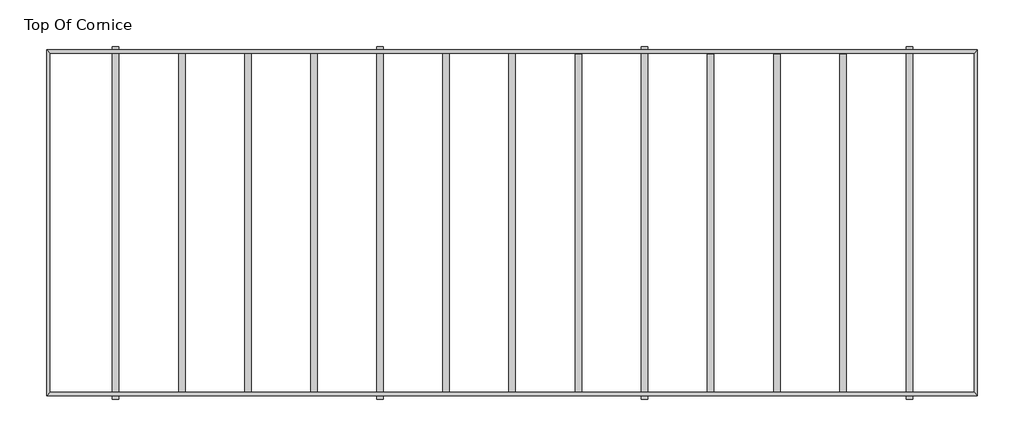
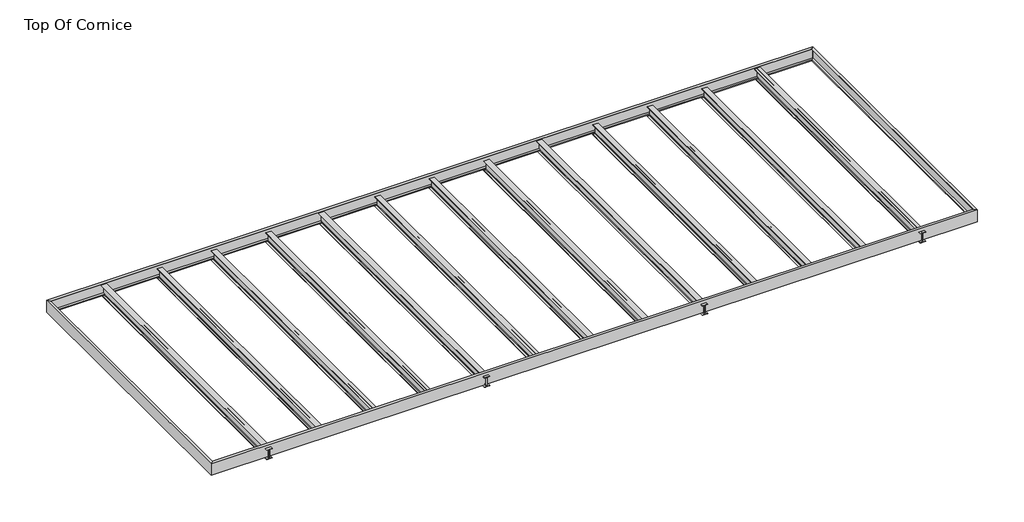
# One storey: 17 beams.
"""IFC4 building model written with IfcOpenShell, lengths in millimetres."""

import ifcopenshell
import ifcopenshell.guid

model = None  # the IFC model being written
_history = None  # IfcOwnerHistory: only IFC2X3 demands one
_inside = {}  # id of a spatial element -> (the spatial element, [elements in it])
_under = {}  # id of a project, library or spatial element -> (it, [spatial elements below it])
_declared = {}  # id of a project -> (the project, [libraries it declares])
_typed = {}  # id of a type object -> (the type object, [elements of that type])
_made_of = {}  # id of a material, layer set ... -> (it, [elements and type objects made of it])


def new_model(schema):
    """Start an empty IFC model of exactly this schema.

    Asked for "IFC4X3", IfcOpenShell would pick the latest addendum, in which some entities
    have other attributes; the version numbers below select the first issue.
    IFC2X3 requires an IfcOwnerHistory on every rooted entity: one is made here for all.
    """
    global model, _history
    if schema == "IFC4X3":
        model = ifcopenshell.file(schema_version=(4, 3, 0, 0))
    else:
        model = ifcopenshell.file(schema=schema)
    _inside.clear()
    _under.clear()
    _declared.clear()
    _typed.clear()
    _made_of.clear()
    _history = None
    if model.schema == "IFC2X3":
        org = make("IfcOrganization", Name="unknown")
        user = make(
            "IfcPersonAndOrganization",
            ThePerson=make("IfcPerson", FamilyName="unknown"),
            TheOrganization=org,
        )
        app = make(
            "IfcApplication",
            ApplicationDeveloper=org,
            Version="unknown",
            ApplicationFullName="unknown",
            ApplicationIdentifier="unknown",
        )
        _history = make(
            "IfcOwnerHistory",
            OwningUser=user,
            OwningApplication=app,
            ChangeAction="ADDED",
            CreationDate=0,
        )
    return model


def make(cls, **values):
    """One entity of the class cls with the attributes given. An attribute that is None is left unset."""
    return model.create_entity(
        cls, **{name: value for name, value in values.items() if value is not None}
    )


def rooted(cls, **values):
    """An entity with a GlobalId (a new one), such as an element, a storey or a relation."""
    return make(cls, GlobalId=ifcopenshell.guid.new(), OwnerHistory=_history, **values)


def si_unit(unit_type, name, prefix=None):
    """IfcSIUnit, for example si_unit("LENGTHUNIT", "METRE", prefix="MILLI")."""
    return make("IfcSIUnit", UnitType=unit_type, Prefix=prefix, Name=name)


def assignment(units):
    """IfcUnitAssignment: the units of a project."""
    return None if units is None else make("IfcUnitAssignment", Units=units)


def point(xyz):
    """IfcCartesianPoint."""
    return None if xyz is None else make("IfcCartesianPoint", Coordinates=xyz)


def direction(xyz):
    """IfcDirection."""
    return None if xyz is None else make("IfcDirection", DirectionRatios=xyz)


def frame(location, z_axis=None, x_axis=None):
    """IfcAxis2Placement3D, a coordinate frame: its origin and axes. An axis left out is left unset."""
    return make(
        "IfcAxis2Placement3D",
        Location=point(location),
        Axis=direction(z_axis),
        RefDirection=direction(x_axis),
    )


def frame_2d(location, x_axis=None):
    """IfcAxis2Placement2D, a coordinate frame in the plane: its origin and x axis."""
    return make(
        "IfcAxis2Placement2D", Location=point(location), RefDirection=direction(x_axis)
    )


def origin():
    """The frame at (0, 0, 0) with its axes left unset."""
    return frame((0.0, 0.0, 0.0))


def place(relative_to, where):
    """IfcLocalPlacement: puts the frame where relative to a parent placement (None: the world)."""
    return make(
        "IfcLocalPlacement", PlacementRelTo=relative_to, RelativePlacement=where
    )


def context(
    kind, dimensions, precision=None, world=None, true_north=None, identifier=None
):
    """IfcGeometricRepresentationContext, for example the 3D "Model" context."""
    return make(
        "IfcGeometricRepresentationContext",
        ContextIdentifier=identifier,
        ContextType=kind,
        CoordinateSpaceDimension=dimensions,
        Precision=precision,
        WorldCoordinateSystem=world,
        TrueNorth=true_north,
    )


def project(units=None, contexts=None):
    """IfcProject with its units and contexts."""
    return rooted(
        "IfcProject",
        Name="project",
        RepresentationContexts=contexts,
        UnitsInContext=assignment(units),
    )


def spatial(cls, under=None, at=None, **own):
    """A site, building, storey or space (cls), placed at a placement, below another one or the project."""
    s = rooted(cls, ObjectPlacement=at, **own)
    if under is not None:
        _under.setdefault(under.id(), (under, []))[1].append(s)
    return s


def polyline(points):
    """IfcPolyline through the points."""
    return make("IfcPolyline", Points=[point(p) for p in points])


def circle_curve(where, radius):
    """IfcCircle in the frame where."""
    return make("IfcCircle", Position=where, Radius=radius)


def ellipse_curve(where, semi_axis1, semi_axis2):
    """IfcEllipse in the frame where."""
    return make(
        "IfcEllipse", Position=where, SemiAxis1=semi_axis1, SemiAxis2=semi_axis2
    )


def trimmed(basis, trim1, trim2, sense, master):
    """IfcTrimmedCurve: the piece of a basis curve between two trims."""
    return make(
        "IfcTrimmedCurve",
        BasisCurve=basis,
        Trim1=trim1,
        Trim2=trim2,
        SenseAgreement=sense,
        MasterRepresentation=master,
    )


def segment(curve, same_sense, transition):
    """IfcCompositeCurveSegment."""
    return make(
        "IfcCompositeCurveSegment",
        Transition=transition,
        SameSense=same_sense,
        ParentCurve=curve,
    )


def composite_curve(segments, self_intersect=None):
    """IfcCompositeCurve: segments joined end to end."""
    return make("IfcCompositeCurve", Segments=segments, SelfIntersect=self_intersect)


def outline(outer, holes=None, kind="AREA"):
    """IfcArbitraryClosedProfileDef: a profile drawn as a closed curve; with holes, ...WithVoids."""
    if holes is None:
        return make("IfcArbitraryClosedProfileDef", ProfileType=kind, OuterCurve=outer)
    return make(
        "IfcArbitraryProfileDefWithVoids",
        ProfileType=kind,
        OuterCurve=outer,
        InnerCurves=holes,
    )


def extrude(swept, where, along, depth):
    """IfcExtrudedAreaSolid: the profile swept, set in the frame where, extruded along a direction by depth."""
    return make(
        "IfcExtrudedAreaSolid",
        SweptArea=swept,
        Position=where,
        ExtrudedDirection=direction(along),
        Depth=depth,
    )


def shape(context_of_items, identifier, shape_type, items):
    """IfcShapeRepresentation: the items that make up one representation, for example the "Body"."""
    return make(
        "IfcShapeRepresentation",
        ContextOfItems=context_of_items,
        RepresentationIdentifier=identifier,
        RepresentationType=shape_type,
        Items=items,
    )


def source(mapping_origin, context_of_items, identifier, shape_type, items):
    """IfcRepresentationMap: a shape defined once, which mapped items show again and again."""
    return make(
        "IfcRepresentationMap",
        MappingOrigin=mapping_origin,
        MappedRepresentation=shape(context_of_items, identifier, shape_type, items),
    )


def transform(
    local_origin,
    x_axis=None,
    y_axis=None,
    z_axis=None,
    scale=None,
    scale2=None,
    scale3=None,
    uniform=True,
):
    """IfcCartesianTransformationOperator3D, or its non-uniform kind. x_axis, y_axis, z_axis: its Axis1, 2, 3."""
    if uniform:
        return make(
            "IfcCartesianTransformationOperator3D",
            Axis1=direction(x_axis),
            Axis2=direction(y_axis),
            LocalOrigin=point(local_origin),
            Scale=scale,
            Axis3=direction(z_axis),
        )
    return make(
        "IfcCartesianTransformationOperator3DnonUniform",
        Axis1=direction(x_axis),
        Axis2=direction(y_axis),
        LocalOrigin=point(local_origin),
        Scale=scale,
        Axis3=direction(z_axis),
        Scale2=scale2,
        Scale3=scale3,
    )


def mapped(mapping_source, mapping_target):
    """IfcMappedItem: shows the shape of a source again, moved by a transform."""
    return make(
        "IfcMappedItem", MappingSource=mapping_source, MappingTarget=mapping_target
    )


def made_of(thing, what):
    """Note that an element or type object is made of a material, layer set ...; save() writes the relation."""
    if what is not None:
        _made_of.setdefault(what.id(), (what, []))[1].append(thing)
    return thing


def element(
    cls,
    number,
    at=None,
    inside=None,
    cuts=None,
    type_object=None,
    material=None,
    context=None,
    identifier="Body",
    shape_type=None,
    held_by="IfcProductDefinitionShape",
    body=None,
    shapes=None,
    **own,
):
    """One element of the class cls, such as IfcWall. Its Tag is "e" and its number.

    at: its placement. inside: the storey or other place that contains it. cuts: it is an
    opening in that element (IfcRelVoidsElement). A single representation is given by context,
    identifier, shape_type and body (its items); several are given by shapes. held_by: the class
    of the entity that holds the representations. save() writes the other relations.
    """
    e = rooted(cls, Tag="e%d" % number, ObjectPlacement=at, **own)
    if body is not None:
        shapes = [shape(context, identifier, shape_type, body)]
    if shapes is not None:
        e.Representation = make(held_by, Representations=shapes)
    if inside is not None:
        _inside.setdefault(inside.id(), (inside, []))[1].append(e)
    if cuts is not None:
        rooted(
            "IfcRelVoidsElement", RelatingBuildingElement=cuts, RelatedOpeningElement=e
        )
    if type_object is not None:
        _typed.setdefault(type_object.id(), (type_object, []))[1].append(e)
    return made_of(e, material)


def aggregate(whole, parts):
    """IfcRelAggregates: a whole, such as a stair, and the parts it consists of."""
    return rooted("IfcRelAggregates", RelatingObject=whole, RelatedObjects=parts)


def save(model, path):
    """Write the relations noted so far, then the file.

    IfcRelAggregates (storeys below a building ...), IfcRelContainedInSpatialStructure (elements
    in a storey), IfcRelDefinesByType, IfcRelAssociatesMaterial and IfcRelDeclares: one each for
    every whole, place, type object, material and project.
    """
    for whole, parts in _under.values():
        aggregate(whole, parts)
    for where, things in _inside.values():
        rooted(
            "IfcRelContainedInSpatialStructure",
            RelatedElements=things,
            RelatingStructure=where,
        )
    for kind, things in _typed.values():
        rooted("IfcRelDefinesByType", RelatedObjects=things, RelatingType=kind)
    for what, things in _made_of.values():
        rooted("IfcRelAssociatesMaterial", RelatedObjects=things, RelatingMaterial=what)
    for by, libraries in _declared.values():
        rooted("IfcRelDeclares", RelatingContext=by, RelatedDefinitions=libraries)
    model.write(path)


def plane_surface(at):
    """IfcPlane: the flat surface through the origin of the frame at, square to its z axis."""
    return make("IfcPlane", Position=at)


def cylinder_surface(at, radius):
    """IfcCylindricalSurface: all points at the distance radius from the z axis of the frame at."""
    return make("IfcCylindricalSurface", Position=at, Radius=radius)


def advanced_brep(points, edges, surfaces, faces):
    """IfcAdvancedBrep: a solid bounded by faces that lie on surfaces and meet in shared edges.

    An edge is (start, end): straight between two places in points (the first is 0);
    or (start, end, curve); or (start, end, curve, False) where it runs against its curve.
    A face is (place in surfaces, loops), or (place, loops, False) where it looks against
    its surface's normal. A loop lists edges by number (the first is 1), with a minus sign
    where the edge is run from its end to its start. The first loop is the outer one.
    """
    corners = [point(p) for p in points]
    vertices = [make("IfcVertexPoint", VertexGeometry=c) for c in corners]
    made = []
    for start, end, *more in edges:
        made.append(
            make(
                "IfcEdgeCurve",
                EdgeStart=vertices[start],
                EdgeEnd=vertices[end],
                EdgeGeometry=more[0] if more else make("IfcPolyline", Points=[corners[start], corners[end]]),
                SameSense=more[1] if len(more) > 1 else True,
            )
        )
    hull = []
    for where, loops, *sense in faces:
        bounds = []
        for j, loop in enumerate(loops):
            ring = [make("IfcOrientedEdge", EdgeElement=made[abs(k) - 1], Orientation=k > 0) for k in loop]
            bounds.append(
                make(
                    "IfcFaceOuterBound" if j == 0 else "IfcFaceBound",
                    Bound=make("IfcEdgeLoop", EdgeList=ring),
                    Orientation=True,
                )
            )
        hull.append(make("IfcAdvancedFace", Bounds=bounds, FaceSurface=surfaces[where], SameSense=sense[0] if sense else True))
    return make("IfcAdvancedBrep", Outer=make("IfcClosedShell", CfsFaces=hull))


def w_wide_flange_w12x26_d7689485(model_context):
    return source(origin(), model_context, "Body", "SweptSolid", [
        extrude(outline(composite_curve([segment(polyline([(82.4011719, -145.5539063), (82.4011719, -155.178125), (-82.4011719, -155.178125), (-82.4011719, -145.5539063), (-20.2902344, -145.5539063)]), True, "CONTINUOUS"), segment(trimmed(circle_curve(frame_2d((-20.2902344, -128.190625)), 17.3632812), [point((-20.2902344, -145.5539063))], [point((-2.9269531, -128.190625))], True, "CARTESIAN"), True, "CONTINUOUS"), segment(polyline([(-2.9269531, -128.190625), (-2.9269531, 128.190625)]), True, "CONTINUOUS"), segment(trimmed(circle_curve(frame_2d((-20.2902344, 128.190625)), 17.3632812), [point((-2.9269531, 128.190625))], [point((-20.2902344, 145.5539062))], True, "CARTESIAN"), True, "CONTINUOUS"), segment(polyline([(-20.2902344, 145.5539062), (-82.4011719, 145.5539062), (-82.4011719, 155.178125), (82.4011719, 155.178125), (82.4011719, 145.5539062), (20.2902344, 145.5539062)]), True, "CONTINUOUS"), segment(trimmed(circle_curve(frame_2d((20.2902344, 128.190625)), 17.3632812), [point((20.2902344, 145.5539062))], [point((2.9269531, 128.190625))], True, "CARTESIAN"), True, "CONTINUOUS"), segment(polyline([(2.9269531, 128.190625), (2.9269531, -128.190625)]), True, "CONTINUOUS"), segment(trimmed(circle_curve(frame_2d((20.2902344, -128.190625)), 17.3632812), [point((2.9269531, -128.190625))], [point((20.2902344, -145.5539063))], True, "CARTESIAN"), True, "CONTINUOUS"), segment(polyline([(20.2902344, -145.5539063), (82.4011719, -145.5539063)]), True, "CONTINUOUS")], self_intersect=False)), frame((-4289.7552, 0.0, 0.0), z_axis=(1.0, 0.0, 0.0), x_axis=(0.0, 1.0, 0.0)), (0.0, 0.0, 1.0), 8579.5104),
    ])


def w_wide_flange_w12x26_6a875226(model_context):
    return source(origin(), model_context, "Body", "SweptSolid", [
        extrude(outline(composite_curve([segment(polyline([(82.4011719, -145.5539063), (82.4011719, -155.178125), (-82.4011719, -155.178125), (-82.4011719, -145.5539063), (-20.2902344, -145.5539063)]), True, "CONTINUOUS"), segment(trimmed(circle_curve(frame_2d((-20.2902344, -128.190625)), 17.3632812), [point((-20.2902344, -145.5539063))], [point((-2.9269531, -128.190625))], True, "CARTESIAN"), True, "CONTINUOUS"), segment(polyline([(-2.9269531, -128.190625), (-2.9269531, 128.190625)]), True, "CONTINUOUS"), segment(trimmed(circle_curve(frame_2d((-20.2902344, 128.190625)), 17.3632812), [point((-2.9269531, 128.190625))], [point((-20.2902344, 145.5539062))], True, "CARTESIAN"), True, "CONTINUOUS"), segment(polyline([(-20.2902344, 145.5539062), (-82.4011719, 145.5539062), (-82.4011719, 155.178125), (82.4011719, 155.178125), (82.4011719, 145.5539062), (20.2902344, 145.5539062)]), True, "CONTINUOUS"), segment(trimmed(circle_curve(frame_2d((20.2902344, 128.190625)), 17.3632812), [point((20.2902344, 145.5539062))], [point((2.9269531, 128.190625))], True, "CARTESIAN"), True, "CONTINUOUS"), segment(polyline([(2.9269531, 128.190625), (2.9269531, -128.190625)]), True, "CONTINUOUS"), segment(trimmed(circle_curve(frame_2d((20.2902344, -128.190625)), 17.3632812), [point((2.9269531, -128.190625))], [point((20.2902344, -145.5539063))], True, "CARTESIAN"), True, "CONTINUOUS"), segment(polyline([(20.2902344, -145.5539063), (82.4011719, -145.5539063)]), True, "CONTINUOUS")], self_intersect=False)), frame((-4470.4, 0.0, 0.0), z_axis=(1.0, 0.0, 0.0), x_axis=(0.0, 1.0, 0.0)), (0.0, 0.0, 1.0), 8940.8),
    ])


def w_wide_flange_w12x26_fbdf9ecd(model_context):
    return source(origin(), model_context, "Body", "SweptSolid", [
        extrude(outline(composite_curve([segment(polyline([(82.4011719, -145.5539063), (82.4011719, -155.178125), (-82.4011719, -155.178125), (-82.4011719, -145.5539063), (-20.2902344, -145.5539063)]), True, "CONTINUOUS"), segment(trimmed(circle_curve(frame_2d((-20.2902344, -128.190625)), 17.3632812), [point((-20.2902344, -145.5539063))], [point((-2.9269531, -128.190625))], True, "CARTESIAN"), True, "CONTINUOUS"), segment(polyline([(-2.9269531, -128.190625), (-2.9269531, 128.190625)]), True, "CONTINUOUS"), segment(trimmed(circle_curve(frame_2d((-20.2902344, 128.190625)), 17.3632812), [point((-2.9269531, 128.190625))], [point((-20.2902344, 145.5539062))], True, "CARTESIAN"), True, "CONTINUOUS"), segment(polyline([(-20.2902344, 145.5539062), (-82.4011719, 145.5539062), (-82.4011719, 155.178125), (82.4011719, 155.178125), (82.4011719, 145.5539062), (20.2902344, 145.5539062)]), True, "CONTINUOUS"), segment(trimmed(circle_curve(frame_2d((20.2902344, 128.190625)), 17.3632812), [point((20.2902344, 145.5539062))], [point((2.9269531, 128.190625))], True, "CARTESIAN"), True, "CONTINUOUS"), segment(polyline([(2.9269531, 128.190625), (2.9269531, -128.190625)]), True, "CONTINUOUS"), segment(trimmed(circle_curve(frame_2d((20.2902344, -128.190625)), 17.3632812), [point((2.9269531, -128.190625))], [point((20.2902344, -145.5539063))], True, "CARTESIAN"), True, "CONTINUOUS"), segment(polyline([(20.2902344, -145.5539063), (82.4011719, -145.5539063)]), True, "CONTINUOUS")], self_intersect=False)), frame((-4368.8, 0.0, 0.0), z_axis=(1.0, 0.0, 0.0), x_axis=(0.0, 1.0, 0.0)), (0.0, 0.0, 1.0), 8566.8312031),
    ])


model = new_model("IFC4")

# Units and contexts
model_context = context("Model", 3, world=origin())
ifc_project = project(units=[si_unit("LENGTHUNIT", "METRE", prefix="MILLI")], contexts=[model_context])

# Site, building, storey
site = spatial("IfcSite", under=ifc_project)
building = spatial("IfcBuilding", under=site)
storey = spatial("IfcBuildingStorey", under=building, Name="Top Of Cornice", Elevation=4114.8)

# Beams
placement = place(None, origin())
element("IfcBeam", 1, ObjectType="C-Channel : C15X33.9", at=placement, inside=storey, context=model_context, shape_type="AdvancedBrep", body=[
    advanced_brep(
    [(30194.5802, 15789.6052, 4114.8), (30280.9402, 15875.9652, 4114.8), (6666.5348, 15875.9652, 4114.8), (6752.8948, 15789.6052, 4114.8), (30211.0902, 15806.1152, 4098.29), (6736.3848, 15806.1152, 4098.29), (30270.7802, 15865.8052, 4088.8360328), (6676.6948, 15865.8052, 4088.8360328), (30270.7802, 15865.8052, 3759.7639672), (6676.6948, 15865.8052, 3759.7639672), (30211.0902, 15806.1152, 3750.31), (6736.3848, 15806.1152, 3750.31), (30194.5802, 15789.6052, 3733.8), (6752.8948, 15789.6052, 3733.8), (30280.9402, 15875.9652, 3733.8), (6666.5348, 15875.9652, 3733.8)],
    [
        (0, 1),
        (1, 2),
        (2, 3),
        (3, 0),
        (4, 0, ellipse_curve(frame((30211.0902, 15806.1152, 4114.8), z_axis=(-0.7071067811865387, 0.7071067811865563, 0.0), x_axis=(-0.7071067811865562, -0.7071067811865387, 0.0)), 23.3486659, 16.51)),
        (3, 5, ellipse_curve(frame((6736.3848, 15806.1152, 4114.8), z_axis=(0.7071067811865476, 0.7071067811865476, 0.0), x_axis=(-0.7071067811865474, 0.7071067811865476, 0.0)), 23.3486659, 16.51)),
        (5, 4),
        (6, 4),
        (5, 7),
        (7, 6),
        (8, 6),
        (7, 9),
        (9, 8),
        (10, 8),
        (9, 11),
        (11, 10),
        (12, 10, ellipse_curve(frame((30211.0902, 15806.1152, 3733.8), z_axis=(-0.7071067811865387, 0.7071067811865563, 0.0), x_axis=(-0.7071067811865562, -0.7071067811865387, 0.0)), 23.3486659, 16.51)),
        (11, 13, ellipse_curve(frame((6736.3848, 15806.1152, 3733.8), z_axis=(0.7071067811865476, 0.7071067811865476, 0.0), x_axis=(-0.7071067811865474, 0.7071067811865476, 0.0)), 23.3486659, 16.51)),
        (13, 12),
        (14, 12),
        (13, 15),
        (15, 14),
        (1, 14),
        (15, 2),
    ],
    [
        plane_surface(frame((30260.925, 15832.7852, 4114.8), z_axis=(0.0, 0.0, 1.0), x_axis=(0.0, -1.0, 0.0))),
        cylinder_surface(frame((30260.925, 15806.1152, 4114.8), z_axis=(-1.0, 0.0, 0.0), x_axis=(0.0, 0.0, -1.0)), 16.51),
        plane_surface(frame((30260.925, 15835.9602, 4093.5630164), z_axis=(0.0, -0.15643446504022748, -0.9876883405951383), x_axis=(0.0, 0.9876883405951383, -0.15643446504022748))),
        plane_surface(frame((30260.925, 15865.8052, 3924.3), z_axis=(0.0, -1.0, 0.0), x_axis=(0.0, 0.0, -1.0))),
        plane_surface(frame((30260.925, 15835.9602, 3755.0369836), z_axis=(0.0, -0.15643446504023373, 0.9876883405951373), x_axis=(0.0, -0.9876883405951373, -0.15643446504023373))),
        cylinder_surface(frame((30260.925, 15806.1152, 3733.8), z_axis=(-1.0, 0.0, 0.0), x_axis=(0.0, -1.0, 0.0)), 16.51),
        plane_surface(frame((30260.925, 15832.7852, 3733.8), z_axis=(0.0, 0.0, -1.0), x_axis=(0.0, 1.0, 0.0))),
        plane_surface(frame((30260.925, 15875.9652, 3924.3), z_axis=(0.0, 1.0, 0.0), x_axis=(0.0, 0.0, 1.0))),
        plane_surface(frame((30194.5802, 15789.6052, 4114.8), z_axis=(0.7071067811865387, -0.7071067811865563, 0.0), x_axis=(0.7071067811865563, 0.7071067811865387, 0.0))),
        plane_surface(frame((6752.8948, 15789.6052, 4114.8), z_axis=(-0.7071067811865476, -0.7071067811865476, 0.0), x_axis=(0.7071067811865476, -0.7071067811865476, 0.0))),
    ],
    [
        (0, [[1, 2, 3, 4]]),
        (1, [[5, -4, 6, 7]]),
        (2, [[8, -7, 9, 10]]),
        (3, [[11, -10, 12, 13]]),
        (4, [[14, -13, 15, 16]]),
        (5, [[17, -16, 18, 19]]),
        (6, [[20, -19, 21, 22]]),
        (7, [[23, -22, 24, -2]]),
        (8, [[-1, -5, -8, -11, -14, -17, -20, -23]]),
        (9, [[-24, -21, -18, -15, -12, -9, -6, -3]]),
    ],
),
])
element("IfcBeam", 2, ObjectType="C-Channel : C15X33.9", at=placement, inside=storey, context=model_context, shape_type="AdvancedBrep", body=[
    advanced_brep(
    [(6752.8948, 7184.6948, 4114.8), (6666.5348, 7098.3348, 4114.8), (30280.9402, 7098.3348, 4114.8), (30194.5802, 7184.6948, 4114.8), (6736.3848, 7168.1848, 4098.29), (30211.0902, 7168.1848, 4098.29), (6676.6948, 7108.4948, 4088.8360328), (30270.7802, 7108.4948, 4088.8360328), (6676.6948, 7108.4948, 3759.7639672), (30270.7802, 7108.4948, 3759.7639672), (6736.3848, 7168.1848, 3750.31), (30211.0902, 7168.1848, 3750.31), (6752.8948, 7184.6948, 3733.8), (30194.5802, 7184.6948, 3733.8), (6666.5348, 7098.3348, 3733.8), (30280.9402, 7098.3348, 3733.8)],
    [
        (0, 1),
        (1, 2),
        (2, 3),
        (3, 0),
        (4, 0, ellipse_curve(frame((6736.3848, 7168.1848, 4114.8), z_axis=(0.7071067811865387, -0.7071067811865563, 0.0), x_axis=(0.7071067811865562, 0.7071067811865387, 0.0)), 23.3486659, 16.51)),
        (3, 5, ellipse_curve(frame((30211.0902, 7168.1848, 4114.8), z_axis=(-0.7071067811865387, -0.7071067811865563, 0.0), x_axis=(0.7071067811865562, -0.7071067811865387, 0.0)), 23.3486659, 16.51)),
        (5, 4),
        (6, 4),
        (5, 7),
        (7, 6),
        (8, 6),
        (7, 9),
        (9, 8),
        (10, 8),
        (9, 11),
        (11, 10),
        (12, 10, ellipse_curve(frame((6736.3848, 7168.1848, 3733.8), z_axis=(0.7071067811865387, -0.7071067811865563, 0.0), x_axis=(0.7071067811865562, 0.7071067811865387, 0.0)), 23.3486659, 16.51)),
        (11, 13, ellipse_curve(frame((30211.0902, 7168.1848, 3733.8), z_axis=(-0.7071067811865387, -0.7071067811865563, 0.0), x_axis=(0.7071067811865562, -0.7071067811865387, 0.0)), 23.3486659, 16.51)),
        (13, 12),
        (14, 12),
        (13, 15),
        (15, 14),
        (1, 14),
        (15, 2),
    ],
    [
        plane_surface(frame((6686.55, 7141.5148, 4114.8), z_axis=(0.0, 0.0, 1.0), x_axis=(0.0, 1.0, 0.0))),
        cylinder_surface(frame((6686.55, 7168.1848, 4114.8), z_axis=(1.0, 0.0, 0.0), x_axis=(0.0, 0.0, -1.0)), 16.51),
        plane_surface(frame((6686.55, 7138.3398, 4093.5630164), z_axis=(0.0, 0.15643446504022748, -0.9876883405951383), x_axis=(0.0, -0.9876883405951383, -0.15643446504022748))),
        plane_surface(frame((6686.55, 7108.4948, 3924.3), z_axis=(0.0, 1.0, 0.0), x_axis=(0.0, 0.0, -1.0))),
        plane_surface(frame((6686.55, 7138.3398, 3755.0369836), z_axis=(0.0, 0.15643446504023373, 0.9876883405951373), x_axis=(0.0, 0.9876883405951373, -0.15643446504023373))),
        cylinder_surface(frame((6686.55, 7168.1848, 3733.8), z_axis=(1.0, 0.0, 0.0), x_axis=(0.0, 1.0, 0.0)), 16.51),
        plane_surface(frame((6686.55, 7141.5148, 3733.8), z_axis=(0.0, 0.0, -1.0), x_axis=(0.0, -1.0, 0.0))),
        plane_surface(frame((6686.55, 7098.3348, 3924.3), z_axis=(0.0, -1.0, 0.0), x_axis=(0.0, 0.0, 1.0))),
        plane_surface(frame((30194.5802, 7184.6948, 4114.8), z_axis=(0.7071067811865387, 0.7071067811865563, 0.0), x_axis=(0.7071067811865563, -0.7071067811865387, 0.0))),
        plane_surface(frame((6752.8948, 7184.6948, 4114.8), z_axis=(-0.7071067811865387, 0.7071067811865563, 0.0), x_axis=(0.7071067811865563, 0.7071067811865387, 0.0))),
    ],
    [
        (0, [[1, 2, 3, 4]]),
        (1, [[5, -4, 6, 7]]),
        (2, [[8, -7, 9, 10]]),
        (3, [[11, -10, 12, 13]]),
        (4, [[14, -13, 15, 16]]),
        (5, [[17, -16, 18, 19]]),
        (6, [[20, -19, 21, 22]]),
        (7, [[23, -22, 24, -2]]),
        (8, [[-24, -21, -18, -15, -12, -9, -6, -3]]),
        (9, [[-1, -5, -8, -11, -14, -17, -20, -23]]),
    ],
),
])
element("IfcBeam", 3, ObjectType="C-Channel : C15X33.9", at=placement, inside=storey, context=model_context, shape_type="AdvancedBrep", body=[
    advanced_brep(
    [(6752.8948, 15789.6052, 4114.8), (6666.5348, 15875.9652, 4114.8), (6666.5348, 7098.3348, 4114.8), (6752.8948, 7184.6948, 4114.8), (6736.3848, 15806.1152, 4098.29), (6736.3848, 7168.1848, 4098.29), (6676.6948, 15865.8052, 4088.8360328), (6676.6948, 7108.4948, 4088.8360328), (6676.6948, 15865.8052, 3759.7639672), (6676.6948, 7108.4948, 3759.7639672), (6736.3848, 15806.1152, 3750.31), (6736.3848, 7168.1848, 3750.31), (6752.8948, 15789.6052, 3733.8), (6752.8948, 7184.6948, 3733.8), (6666.5348, 15875.9652, 3733.8), (6666.5348, 7098.3348, 3733.8)],
    [
        (0, 1),
        (1, 2),
        (2, 3),
        (3, 0),
        (4, 0, ellipse_curve(frame((6736.3848, 15806.1152, 4114.8), z_axis=(-0.7071067811865476, -0.7071067811865476, 0.0), x_axis=(-0.7071067811865476, 0.7071067811865474, 0.0)), 23.3486659, 16.51)),
        (3, 5, ellipse_curve(frame((6736.3848, 7168.1848, 4114.8), z_axis=(-0.7071067811865476, 0.7071067811865476, 0.0), x_axis=(0.7071067811865476, 0.7071067811865474, 0.0)), 23.3486659, 16.51)),
        (5, 4),
        (6, 4),
        (5, 7),
        (7, 6),
        (8, 6),
        (7, 9),
        (9, 8),
        (10, 8),
        (9, 11),
        (11, 10),
        (12, 10, ellipse_curve(frame((6736.3848, 15806.1152, 3733.8), z_axis=(-0.7071067811865476, -0.7071067811865476, 0.0), x_axis=(-0.7071067811865476, 0.7071067811865474, 0.0)), 23.3486659, 16.51)),
        (11, 13, ellipse_curve(frame((6736.3848, 7168.1848, 3733.8), z_axis=(-0.7071067811865476, 0.7071067811865476, 0.0), x_axis=(0.7071067811865476, 0.7071067811865474, 0.0)), 23.3486659, 16.51)),
        (13, 12),
        (14, 12),
        (13, 15),
        (15, 14),
        (1, 14),
        (15, 2),
    ],
    [
        plane_surface(frame((6666.5348, 15855.95, 4114.8), z_axis=(0.0, 0.0, 1.0), x_axis=(0.0, -1.0, 0.0))),
        cylinder_surface(frame((6736.3848, 15855.95, 4114.8), z_axis=(0.0, 1.0, 0.0), x_axis=(1.0, 0.0, 0.0)), 16.51),
        plane_surface(frame((6736.3848, 15855.95, 4098.29), z_axis=(0.15643446504022748, 0.0, -0.9876883405951383), x_axis=(0.0, -1.0, 0.0))),
        plane_surface(frame((6676.6948, 15855.95, 4088.8360328), z_axis=(1.0, 0.0, 0.0), x_axis=(0.0, -1.0, 0.0))),
        plane_surface(frame((6676.6948, 15855.95, 3759.7639672), z_axis=(0.15643446504023378, 0.0, 0.9876883405951373), x_axis=(0.0, -1.0, 0.0))),
        cylinder_surface(frame((6736.3848, 15855.95, 3733.8), z_axis=(0.0, 1.0, 0.0), x_axis=(1.0, 0.0, 0.0)), 16.51),
        plane_surface(frame((6752.8948, 15855.95, 3733.8), z_axis=(0.0, 0.0, -1.0), x_axis=(0.0, -1.0, 0.0))),
        plane_surface(frame((6666.5348, 15855.95, 3733.8), z_axis=(-1.0, 0.0, 0.0), x_axis=(0.0, -1.0, 0.0))),
        plane_surface(frame((6752.8948, 7184.6948, 4114.8), z_axis=(0.7071067811865476, -0.7071067811865476, 0.0), x_axis=(0.7071067811865476, 0.7071067811865476, 0.0))),
        plane_surface(frame((6752.8948, 15789.6052, 4114.8), z_axis=(0.7071067811865476, 0.7071067811865476, 0.0), x_axis=(0.7071067811865476, -0.7071067811865476, 0.0))),
    ],
    [
        (0, [[1, 2, 3, 4]]),
        (1, [[5, -4, 6, 7]]),
        (2, [[8, -7, 9, 10]]),
        (3, [[11, -10, 12, 13]]),
        (4, [[14, -13, 15, 16]]),
        (5, [[17, -16, 18, 19]]),
        (6, [[20, -19, 21, 22]]),
        (7, [[23, -22, 24, -2]]),
        (8, [[-24, -21, -18, -15, -12, -9, -6, -3]]),
        (9, [[-1, -5, -8, -11, -14, -17, -20, -23]]),
    ],
),
])
element("IfcBeam", 4, ObjectType="C-Channel : C15X33.9", at=placement, inside=storey, context=model_context, shape_type="AdvancedBrep", body=[
    advanced_brep(
    [(30194.5802, 7184.6948, 4114.8), (30280.9402, 7098.3348, 4114.8), (30280.9402, 15875.9652, 4114.8), (30194.5802, 15789.6052, 4114.8), (30211.0902, 7168.1848, 4098.29), (30211.0902, 15806.1152, 4098.29), (30270.7802, 7108.4948, 4088.8360328), (30270.7802, 15865.8052, 4088.8360328), (30270.7802, 7108.4948, 3759.7639672), (30270.7802, 15865.8052, 3759.7639672), (30211.0902, 7168.1848, 3750.31), (30211.0902, 15806.1152, 3750.31), (30194.5802, 7184.6948, 3733.8), (30194.5802, 15789.6052, 3733.8), (30280.9402, 7098.3348, 3733.8), (30280.9402, 15875.9652, 3733.8)],
    [
        (0, 1),
        (1, 2),
        (2, 3),
        (3, 0),
        (4, 0, ellipse_curve(frame((30211.0902, 7168.1848, 4114.8), z_axis=(0.7071067811865387, 0.7071067811865563, 0.0), x_axis=(0.7071067811865563, -0.7071067811865388, 0.0)), 23.3486659, 16.51)),
        (3, 5, ellipse_curve(frame((30211.0902, 15806.1152, 4114.8), z_axis=(0.7071067811865387, -0.7071067811865563, 0.0), x_axis=(-0.7071067811865563, -0.7071067811865388, 0.0)), 23.3486659, 16.51)),
        (5, 4),
        (6, 4),
        (5, 7),
        (7, 6),
        (8, 6),
        (7, 9),
        (9, 8),
        (10, 8),
        (9, 11),
        (11, 10),
        (12, 10, ellipse_curve(frame((30211.0902, 7168.1848, 3733.8), z_axis=(0.7071067811865387, 0.7071067811865563, 0.0), x_axis=(0.7071067811865563, -0.7071067811865388, 0.0)), 23.3486659, 16.51)),
        (11, 13, ellipse_curve(frame((30211.0902, 15806.1152, 3733.8), z_axis=(0.7071067811865387, -0.7071067811865563, 0.0), x_axis=(-0.7071067811865563, -0.7071067811865388, 0.0)), 23.3486659, 16.51)),
        (13, 12),
        (14, 12),
        (13, 15),
        (15, 14),
        (1, 14),
        (15, 2),
    ],
    [
        plane_surface(frame((30280.9402, 7118.35, 4114.8), z_axis=(0.0, 0.0, 1.0), x_axis=(0.0, 1.0, 0.0))),
        cylinder_surface(frame((30211.0902, 7118.35, 4114.8), z_axis=(0.0, -1.0, 0.0), x_axis=(-1.0, 0.0, 0.0)), 16.51),
        plane_surface(frame((30211.0902, 7118.35, 4098.29), z_axis=(-0.15643446504022748, 0.0, -0.9876883405951383), x_axis=(0.0, 1.0, 0.0))),
        plane_surface(frame((30270.7802, 7118.35, 4088.8360328), z_axis=(-1.0, 0.0, 0.0), x_axis=(0.0, 1.0, 0.0))),
        plane_surface(frame((30270.7802, 7118.35, 3759.7639672), z_axis=(-0.15643446504023378, 0.0, 0.9876883405951373), x_axis=(0.0, 1.0, 0.0))),
        cylinder_surface(frame((30211.0902, 7118.35, 3733.8), z_axis=(0.0, -1.0, 0.0), x_axis=(-1.0, 0.0, 0.0)), 16.51),
        plane_surface(frame((30194.5802, 7118.35, 3733.8), z_axis=(0.0, 0.0, -1.0), x_axis=(0.0, 1.0, 0.0))),
        plane_surface(frame((30280.9402, 7118.35, 3733.8), z_axis=(1.0, 0.0, 0.0), x_axis=(0.0, 1.0, 0.0))),
        plane_surface(frame((30194.5802, 15789.6052, 4114.8), z_axis=(-0.7071067811865387, 0.7071067811865563, 0.0), x_axis=(0.7071067811865563, 0.7071067811865387, 0.0))),
        plane_surface(frame((30194.5802, 7184.6948, 4114.8), z_axis=(-0.7071067811865387, -0.7071067811865563, 0.0), x_axis=(0.7071067811865563, -0.7071067811865387, 0.0))),
    ],
    [
        (0, [[1, 2, 3, 4]]),
        (1, [[5, -4, 6, 7]]),
        (2, [[8, -7, 9, 10]]),
        (3, [[11, -10, 12, 13]]),
        (4, [[14, -13, 15, 16]]),
        (5, [[17, -16, 18, 19]]),
        (6, [[20, -19, 21, 22]]),
        (7, [[23, -22, 24, -2]]),
        (8, [[-24, -21, -18, -15, -12, -9, -6, -3]]),
        (9, [[-1, -5, -8, -11, -14, -17, -20, -23]]),
    ],
),
])
w_wide_flange_w12x26_shape = w_wide_flange_w12x26_d7689485(model_context)
element("IfcBeam", 5, ObjectType="W-Wide Flange : W12X26", at=placement, inside=storey, context=model_context, shape_type="MappedRepresentation", body=[
    mapped(w_wide_flange_w12x26_shape, transform((10096.5, 11487.15, 3870.721875), x_axis=(0.0, -1.0, 0.0), y_axis=(1.0, 0.0, 0.0), z_axis=(0.0, 0.0, 1.0))),
])
element("IfcBeam", 6, ObjectType="W-Wide Flange : W12X26", at=placement, inside=storey, context=model_context, shape_type="MappedRepresentation", body=[
    mapped(w_wide_flange_w12x26_shape, transform((11772.9, 11487.15, 3870.721875), x_axis=(0.0, -1.0, 0.0), y_axis=(1.0, 0.0, 0.0), z_axis=(0.0, 0.0, 1.0))),
])
element("IfcBeam", 7, ObjectType="W-Wide Flange : W12X26", at=placement, inside=storey, context=model_context, shape_type="MappedRepresentation", body=[
    mapped(w_wide_flange_w12x26_shape, transform((13449.3, 11487.15, 3870.721875), x_axis=(0.0, -1.0, 0.0), y_axis=(1.0, 0.0, 0.0), z_axis=(0.0, 0.0, 1.0))),
])
element("IfcBeam", 8, ObjectType="W-Wide Flange : W12X26", at=placement, inside=storey, context=model_context, shape_type="MappedRepresentation", body=[
    mapped(w_wide_flange_w12x26_shape, transform((16802.1, 11487.15, 3870.721875), x_axis=(0.0, -1.0, 0.0), y_axis=(1.0, 0.0, 0.0), z_axis=(0.0, 0.0, 1.0))),
])
element("IfcBeam", 9, ObjectType="W-Wide Flange : W12X26", at=placement, inside=storey, context=model_context, shape_type="MappedRepresentation", body=[
    mapped(w_wide_flange_w12x26_shape, transform((18478.5, 11487.15, 3870.721875), x_axis=(0.0, -1.0, 0.0), y_axis=(1.0, 0.0, 0.0), z_axis=(0.0, 0.0, 1.0))),
])
w_wide_flange_w12x26_2_shape = w_wide_flange_w12x26_6a875226(model_context)
element("IfcBeam", 10, ObjectType="W-Wide Flange : W12X26", at=placement, inside=storey, context=model_context, shape_type="MappedRepresentation", body=[
    mapped(w_wide_flange_w12x26_2_shape, transform((8420.1, 11487.15, 3870.721875), x_axis=(0.0, -1.0, 0.0), y_axis=(1.0, 0.0, 0.0), z_axis=(0.0, 0.0, 1.0))),
])
element("IfcBeam", 11, ObjectType="W-Wide Flange : W12X26", at=placement, inside=storey, context=model_context, shape_type="MappedRepresentation", body=[
    mapped(w_wide_flange_w12x26_2_shape, transform((15125.7, 11487.15, 3870.721875), x_axis=(0.0, -1.0, 0.0), y_axis=(1.0, 0.0, 0.0), z_axis=(0.0, 0.0, 1.0))),
])
element("IfcBeam", 12, ObjectType="W-Wide Flange : W12X26", at=placement, inside=storey, context=model_context, shape_type="MappedRepresentation", body=[
    mapped(w_wide_flange_w12x26_2_shape, transform((21840.825, 11487.15, 3870.721875), x_axis=(0.0, -1.0, 0.0), y_axis=(1.0, 0.0, 0.0), z_axis=(0.0, 0.0, 1.0))),
])
element("IfcBeam", 13, ObjectType="W-Wide Flange : W12X26", at=placement, inside=storey, context=model_context, shape_type="MappedRepresentation", body=[
    mapped(w_wide_flange_w12x26_2_shape, transform((28552.775, 11487.15, 3870.721875), x_axis=(0.0, -1.0, 0.0), y_axis=(1.0, 0.0, 0.0), z_axis=(0.0, 0.0, 1.0))),
])
w_wide_flange_w12x26_3_shape = w_wide_flange_w12x26_fbdf9ecd(model_context)
element("IfcBeam", 14, ObjectType="W-Wide Flange : W12X26", at=placement, inside=storey, context=model_context, shape_type="MappedRepresentation", body=[
    mapped(w_wide_flange_w12x26_3_shape, transform((20154.9, 11395.4260031, 3870.721875), x_axis=(0.0, -1.0, 0.0), y_axis=(1.0, 0.0, 0.0), z_axis=(0.0, 0.0, 1.0))),
])
element("IfcBeam", 15, ObjectType="W-Wide Flange : W12X26", at=placement, inside=storey, context=model_context, shape_type="MappedRepresentation", body=[
    mapped(w_wide_flange_w12x26_3_shape, transform((23511.66875, 11395.4260031, 3870.721875), x_axis=(0.0, -1.0, 0.0), y_axis=(1.0, 0.0, 0.0), z_axis=(0.0, 0.0, 1.0))),
])
element("IfcBeam", 16, ObjectType="W-Wide Flange : W12X26", at=placement, inside=storey, context=model_context, shape_type="MappedRepresentation", body=[
    mapped(w_wide_flange_w12x26_3_shape, transform((25192.0375, 11395.4260031, 3870.721875), x_axis=(0.0, -1.0, 0.0), y_axis=(1.0, 0.0, 0.0), z_axis=(0.0, 0.0, 1.0))),
])
element("IfcBeam", 17, ObjectType="W-Wide Flange : W12X26", at=placement, inside=storey, context=model_context, shape_type="MappedRepresentation", body=[
    mapped(w_wide_flange_w12x26_3_shape, transform((26872.40625, 11395.4260031, 3870.721875), x_axis=(0.0, -1.0, 0.0), y_axis=(1.0, 0.0, 0.0), z_axis=(0.0, 0.0, 1.0))),
])

save(model, "model.ifc")
